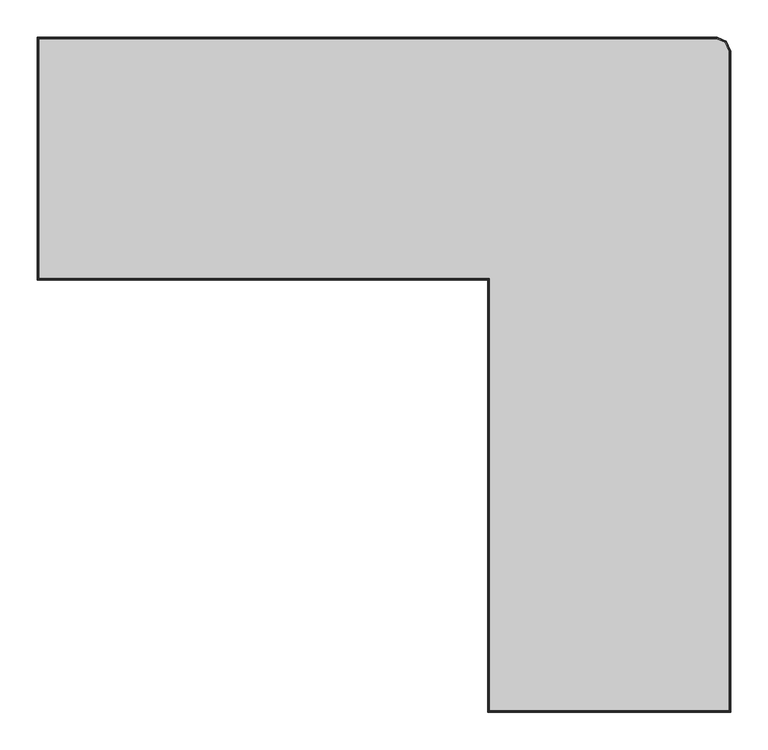
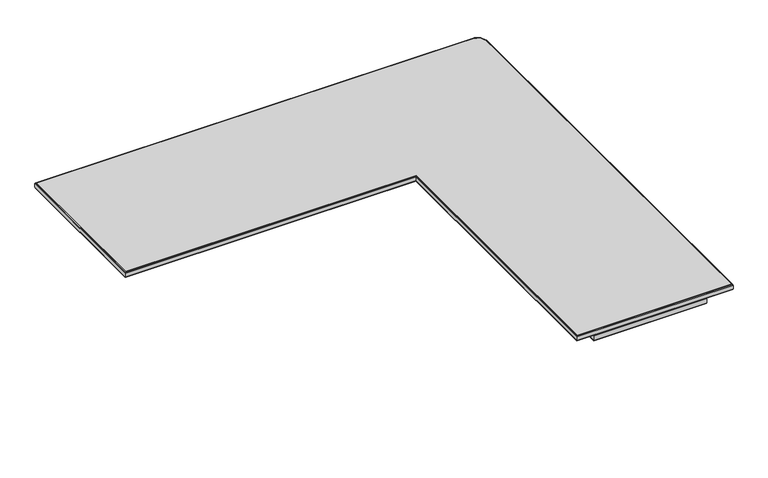
"""IFC4 building model written with IfcOpenShell, lengths in millimetres: furniture geometry."""

import ifcopenshell
import ifcopenshell.guid

model = None  # the IFC model being written
_history = None  # IfcOwnerHistory: only IFC2X3 demands one
_inside = {}  # id of a spatial element -> (the spatial element, [elements in it])
_under = {}  # id of a project, library or spatial element -> (it, [spatial elements below it])
_declared = {}  # id of a project -> (the project, [libraries it declares])
_typed = {}  # id of a type object -> (the type object, [elements of that type])
_made_of = {}  # id of a material, layer set ... -> (it, [elements and type objects made of it])


def new_model(schema):
    """Start an empty IFC model of exactly this schema.

    Asked for "IFC4X3", IfcOpenShell would pick the latest addendum, in which some entities
    have other attributes; the version numbers below select the first issue.
    IFC2X3 requires an IfcOwnerHistory on every rooted entity: one is made here for all.
    """
    global model, _history
    if schema == "IFC4X3":
        model = ifcopenshell.file(schema_version=(4, 3, 0, 0))
    else:
        model = ifcopenshell.file(schema=schema)
    _inside.clear()
    _under.clear()
    _declared.clear()
    _typed.clear()
    _made_of.clear()
    _history = None
    if model.schema == "IFC2X3":
        org = make("IfcOrganization", Name="unknown")
        user = make(
            "IfcPersonAndOrganization",
            ThePerson=make("IfcPerson", FamilyName="unknown"),
            TheOrganization=org,
        )
        app = make(
            "IfcApplication",
            ApplicationDeveloper=org,
            Version="unknown",
            ApplicationFullName="unknown",
            ApplicationIdentifier="unknown",
        )
        _history = make(
            "IfcOwnerHistory",
            OwningUser=user,
            OwningApplication=app,
            ChangeAction="ADDED",
            CreationDate=0,
        )
    return model


def make(cls, **values):
    """One entity of the class cls with the attributes given. An attribute that is None is left unset."""
    return model.create_entity(
        cls, **{name: value for name, value in values.items() if value is not None}
    )


def rooted(cls, **values):
    """An entity with a GlobalId (a new one), such as an element, a storey or a relation."""
    return make(cls, GlobalId=ifcopenshell.guid.new(), OwnerHistory=_history, **values)


def si_unit(unit_type, name, prefix=None):
    """IfcSIUnit, for example si_unit("LENGTHUNIT", "METRE", prefix="MILLI")."""
    return make("IfcSIUnit", UnitType=unit_type, Prefix=prefix, Name=name)


def assignment(units):
    """IfcUnitAssignment: the units of a project."""
    return None if units is None else make("IfcUnitAssignment", Units=units)


def point(xyz):
    """IfcCartesianPoint."""
    return None if xyz is None else make("IfcCartesianPoint", Coordinates=xyz)


def direction(xyz):
    """IfcDirection."""
    return None if xyz is None else make("IfcDirection", DirectionRatios=xyz)


def frame(location, z_axis=None, x_axis=None):
    """IfcAxis2Placement3D, a coordinate frame: its origin and axes. An axis left out is left unset."""
    return make(
        "IfcAxis2Placement3D",
        Location=point(location),
        Axis=direction(z_axis),
        RefDirection=direction(x_axis),
    )


def origin():
    """The frame at (0, 0, 0) with its axes left unset."""
    return frame((0.0, 0.0, 0.0))


def place(relative_to, where):
    """IfcLocalPlacement: puts the frame where relative to a parent placement (None: the world)."""
    return make(
        "IfcLocalPlacement", PlacementRelTo=relative_to, RelativePlacement=where
    )


def context(
    kind, dimensions, precision=None, world=None, true_north=None, identifier=None
):
    """IfcGeometricRepresentationContext, for example the 3D "Model" context."""
    return make(
        "IfcGeometricRepresentationContext",
        ContextIdentifier=identifier,
        ContextType=kind,
        CoordinateSpaceDimension=dimensions,
        Precision=precision,
        WorldCoordinateSystem=world,
        TrueNorth=true_north,
    )


def project(units=None, contexts=None):
    """IfcProject with its units and contexts."""
    return rooted(
        "IfcProject",
        Name="project",
        RepresentationContexts=contexts,
        UnitsInContext=assignment(units),
    )


def spatial(cls, under=None, at=None, **own):
    """A site, building, storey or space (cls), placed at a placement, below another one or the project."""
    s = rooted(cls, ObjectPlacement=at, **own)
    if under is not None:
        _under.setdefault(under.id(), (under, []))[1].append(s)
    return s


def polyline(points):
    """IfcPolyline through the points."""
    return make("IfcPolyline", Points=[point(p) for p in points])


def outline(outer, holes=None, kind="AREA"):
    """IfcArbitraryClosedProfileDef: a profile drawn as a closed curve; with holes, ...WithVoids."""
    if holes is None:
        return make("IfcArbitraryClosedProfileDef", ProfileType=kind, OuterCurve=outer)
    return make(
        "IfcArbitraryProfileDefWithVoids",
        ProfileType=kind,
        OuterCurve=outer,
        InnerCurves=holes,
    )


def extrude(swept, where, along, depth):
    """IfcExtrudedAreaSolid: the profile swept, set in the frame where, extruded along a direction by depth."""
    return make(
        "IfcExtrudedAreaSolid",
        SweptArea=swept,
        Position=where,
        ExtrudedDirection=direction(along),
        Depth=depth,
    )


def faces_of(points, faces, orient=None, outer=None):
    """IfcFace entities. A face is a list of loops; a loop is a list of indices into points, from 0.

    orient and outer hold one flag for each loop. By default every Orientation is true, the
    first loop of a face is its IfcFaceOuterBound and the others are IfcFaceBound.
    """
    made = []
    for i, loops in enumerate(faces):
        bounds = []
        for j, loop in enumerate(loops):
            is_outer = j == 0 if outer is None else outer[i][j]
            bounds.append(
                make(
                    "IfcFaceOuterBound" if is_outer else "IfcFaceBound",
                    Bound=make("IfcPolyLoop", Polygon=[points[k] for k in loop]),
                    Orientation=True if orient is None else orient[i][j],
                )
            )
        made.append(make("IfcFace", Bounds=bounds))
    return made


def faceted_brep(points, faces, orient=None, outer=None, voids=None):
    """IfcFacetedBrep: a solid bounded by flat faces; with voids (closed shells), ...WithVoids."""
    shared = [point(p) for p in points]
    hull = make("IfcClosedShell", CfsFaces=faces_of(shared, faces, orient, outer))
    if voids is None:
        return make("IfcFacetedBrep", Outer=hull)
    return make(
        "IfcFacetedBrepWithVoids",
        Outer=hull,
        Voids=[
            make(cls, CfsFaces=faces_of(shared, fs, o, b)) for cls, fs, o, b in voids
        ],
    )


def shape(context_of_items, identifier, shape_type, items):
    """IfcShapeRepresentation: the items that make up one representation, for example the "Body"."""
    return make(
        "IfcShapeRepresentation",
        ContextOfItems=context_of_items,
        RepresentationIdentifier=identifier,
        RepresentationType=shape_type,
        Items=items,
    )


def source(mapping_origin, context_of_items, identifier, shape_type, items):
    """IfcRepresentationMap: a shape defined once, which mapped items show again and again."""
    return make(
        "IfcRepresentationMap",
        MappingOrigin=mapping_origin,
        MappedRepresentation=shape(context_of_items, identifier, shape_type, items),
    )


def transform(
    local_origin,
    x_axis=None,
    y_axis=None,
    z_axis=None,
    scale=None,
    scale2=None,
    scale3=None,
    uniform=True,
):
    """IfcCartesianTransformationOperator3D, or its non-uniform kind. x_axis, y_axis, z_axis: its Axis1, 2, 3."""
    if uniform:
        return make(
            "IfcCartesianTransformationOperator3D",
            Axis1=direction(x_axis),
            Axis2=direction(y_axis),
            LocalOrigin=point(local_origin),
            Scale=scale,
            Axis3=direction(z_axis),
        )
    return make(
        "IfcCartesianTransformationOperator3DnonUniform",
        Axis1=direction(x_axis),
        Axis2=direction(y_axis),
        LocalOrigin=point(local_origin),
        Scale=scale,
        Axis3=direction(z_axis),
        Scale2=scale2,
        Scale3=scale3,
    )


def mapped(mapping_source, mapping_target):
    """IfcMappedItem: shows the shape of a source again, moved by a transform."""
    return make(
        "IfcMappedItem", MappingSource=mapping_source, MappingTarget=mapping_target
    )


def made_of(thing, what):
    """Note that an element or type object is made of a material, layer set ...; save() writes the relation."""
    if what is not None:
        _made_of.setdefault(what.id(), (what, []))[1].append(thing)
    return thing


def element(
    cls,
    number,
    at=None,
    inside=None,
    cuts=None,
    type_object=None,
    material=None,
    context=None,
    identifier="Body",
    shape_type=None,
    held_by="IfcProductDefinitionShape",
    body=None,
    shapes=None,
    **own,
):
    """One element of the class cls, such as IfcWall. Its Tag is "e" and its number.

    at: its placement. inside: the storey or other place that contains it. cuts: it is an
    opening in that element (IfcRelVoidsElement). A single representation is given by context,
    identifier, shape_type and body (its items); several are given by shapes. held_by: the class
    of the entity that holds the representations. save() writes the other relations.
    """
    e = rooted(cls, Tag="e%d" % number, ObjectPlacement=at, **own)
    if body is not None:
        shapes = [shape(context, identifier, shape_type, body)]
    if shapes is not None:
        e.Representation = make(held_by, Representations=shapes)
    if inside is not None:
        _inside.setdefault(inside.id(), (inside, []))[1].append(e)
    if cuts is not None:
        rooted(
            "IfcRelVoidsElement", RelatingBuildingElement=cuts, RelatedOpeningElement=e
        )
    if type_object is not None:
        _typed.setdefault(type_object.id(), (type_object, []))[1].append(e)
    return made_of(e, material)


def aggregate(whole, parts):
    """IfcRelAggregates: a whole, such as a stair, and the parts it consists of."""
    return rooted("IfcRelAggregates", RelatingObject=whole, RelatedObjects=parts)


def save(model, path):
    """Write the relations noted so far, then the file.

    IfcRelAggregates (storeys below a building ...), IfcRelContainedInSpatialStructure (elements
    in a storey), IfcRelDefinesByType, IfcRelAssociatesMaterial and IfcRelDeclares: one each for
    every whole, place, type object, material and project.
    """
    for whole, parts in _under.values():
        aggregate(whole, parts)
    for where, things in _inside.values():
        rooted(
            "IfcRelContainedInSpatialStructure",
            RelatedElements=things,
            RelatingStructure=where,
        )
    for kind, things in _typed.values():
        rooted("IfcRelDefinesByType", RelatedObjects=things, RelatingType=kind)
    for what, things in _made_of.values():
        rooted("IfcRelAssociatesMaterial", RelatedObjects=things, RelatingMaterial=what)
    for by, libraries in _declared.values():
        rooted("IfcRelDeclares", RelatingContext=by, RelatedDefinitions=libraries)
    model.write(path)


def furniture_5d4d9aef(model_context):
    return source(origin(), model_context, "Body", "SolidModel", [
        faceted_brep([(899.9524807, 56.0365193, 1064.7999767), (899.9524807, 56.0365193, 1056.7999563), (894.4893408, 69.2255661, 1056.7999563), (894.4893408, 69.2255661, 1064.7999767), (899.366688, 55.9199968, 1066.2142073), (894.0409956, 68.7772193, 1066.2142073), (897.9525301, 55.6387005, 1066.8), (892.9586489, 67.6948687, 1066.8), (897.9525301, 55.6387005, 1054.8000057), (892.9586489, 67.6948687, 1054.8000057), (899.366688, 55.9199968, 1055.3857985), (894.0409956, 68.7772193, 1055.3857985), (882.128135, 74.3457482, 1056.7999563), (882.128135, 74.3457482, 1064.7999767), (882.0116135, 73.7599554, 1066.2142073), (881.7303198, 72.3457976, 1066.8), (881.7303198, 72.3457976, 1054.8000057), (882.0116135, 73.7599554, 1055.3857985), (-25.3933506, 74.3457482, 1056.7999563), (-25.3933506, 74.3457482, 1064.7999767), (-24.8075579, 73.7599554, 1066.2142073), (-23.3934, 72.3457976, 1066.8), (-23.3934, 72.3457976, 1054.8000057), (-24.8075579, 73.7599554, 1055.3857985), (-25.3933506, -249.5041564, 1056.7999563), (-25.3933506, -249.5041564, 1064.7999767), (-24.8075579, -248.9183637, 1066.2142073), (-23.3934, -247.5042058, 1066.8), (-23.3934, -247.5042058, 1054.8000057), (-24.8075579, -248.9183637, 1055.3857985), (576.1025534, -249.5041564, 1056.7999563), (576.1025534, -249.5041564, 1064.7999767), (576.6883461, -248.9183637, 1066.2142073), (578.102504, -247.5042058, 1066.8), (578.102504, -247.5042058, 1054.8000057), (576.6883461, -248.9183637, 1055.3857985), (576.1025534, -827.1052499, 1056.7999563), (576.1025534, -827.1052499, 1064.7999767), (576.6883461, -826.5194572, 1066.2142073), (578.102504, -825.1052993, 1066.8), (578.102504, -825.1052993, 1054.8000057), (576.6883461, -826.5194572, 1055.3857985), (899.9524807, -827.1052499, 1056.7999563), (899.9524807, -827.1052499, 1064.7999767), (899.366688, -826.5194572, 1066.2142073), (897.9525301, -825.1052993, 1066.8), (897.9525301, -825.1052993, 1054.8000057), (899.366688, -826.5194572, 1055.3857985)], [[[0, 1, 2, 3]], [[4, 0, 3, 5]], [[6, 4, 5, 7]], [[8, 6, 7, 9]], [[10, 8, 9, 11]], [[1, 10, 11, 2]], [[3, 2, 12, 13]], [[5, 3, 13, 14]], [[7, 5, 14, 15]], [[9, 7, 15, 16]], [[11, 9, 16, 17]], [[2, 11, 17, 12]], [[13, 12, 18, 19]], [[14, 13, 19, 20]], [[15, 14, 20, 21]], [[16, 15, 21, 22]], [[17, 16, 22, 23]], [[12, 17, 23, 18]], [[19, 18, 24, 25]], [[20, 19, 25, 26]], [[21, 20, 26, 27]], [[22, 21, 27, 28]], [[23, 22, 28, 29]], [[18, 23, 29, 24]], [[25, 24, 30, 31]], [[26, 25, 31, 32]], [[27, 26, 32, 33]], [[28, 27, 33, 34]], [[29, 28, 34, 35]], [[24, 29, 35, 30]], [[31, 30, 36, 37]], [[32, 31, 37, 38]], [[33, 32, 38, 39]], [[34, 33, 39, 40]], [[35, 34, 40, 41]], [[30, 35, 41, 36]], [[37, 36, 42, 43]], [[38, 37, 43, 44]], [[39, 38, 44, 45]], [[40, 39, 45, 46]], [[41, 40, 46, 47]], [[36, 41, 47, 42]], [[43, 42, 1, 0]], [[44, 43, 0, 4]], [[45, 44, 4, 6]], [[46, 45, 6, 8]], [[47, 46, 8, 10]], [[42, 47, 10, 1]]]),
        faceted_brep([(611.1024519, -216.161297, 1044.799962), (611.1024519, -216.161297, 1054.8000057), (613.1024752, -216.161297, 1054.8000057), (613.1024752, -216.161297, 1042.8000114), (611.6882446, -216.161297, 1043.3858042), (611.1024519, -826.8513226, 1044.799962), (611.1024519, -826.8513226, 1054.8000057), (845.9025095, -826.8513226, 1054.8000057), (845.9025095, 20.2958235, 1054.8000057), (0.0065767, 20.2958235, 1054.8000057), (0.0065767, -214.5042216, 1054.8000057), (609.9303329, -214.5042216, 1054.8000057), (609.9303329, -212.5041983, 1054.8000057), (2.0066, -212.5041983, 1054.8000057), (2.0066, 18.2958003, 1054.8000057), (843.9024862, 18.2958003, 1054.8000057), (843.9024862, -824.8512993, 1054.8000057), (613.1024752, -824.8512993, 1054.8000057), (613.1024752, -824.8512993, 1042.8000114), (611.6882446, -826.2655298, 1043.3858042), (845.9025095, -826.8513226, 1044.799962), (843.9024862, -824.8512993, 1042.8000114), (845.3167168, -826.2655298, 1043.3858042), (845.9025095, 20.2958235, 1044.799962), (843.9024862, 18.2958003, 1042.8000114), (845.3167168, 19.7100308, 1043.3858042), (0.0065767, 20.2958235, 1044.799962), (2.0066, 18.2958003, 1042.8000114), (0.5923695, 19.7100308, 1043.3858042), (0.0065767, -214.5042216, 1044.799962), (2.0066, -212.5041983, 1042.8000114), (0.5923695, -213.9184289, 1043.3858042), (609.9303329, -214.5042216, 1044.799962), (609.9303329, -213.9184289, 1043.3858042), (609.9303329, -212.5041983, 1042.8000114)], [[[0, 1, 2, 3, 4]], [[1, 0, 5, 6]], [[2, 1, 6, 7, 8, 9, 10, 11, 12, 13, 14, 15, 16, 17]], [[3, 2, 17, 18]], [[4, 3, 18, 19]], [[0, 4, 19, 5]], [[6, 5, 20, 7]], [[18, 17, 16, 21]], [[19, 18, 21, 22]], [[5, 19, 22, 20]], [[7, 20, 23, 8]], [[21, 16, 15, 24]], [[22, 21, 24, 25]], [[20, 22, 25, 23]], [[8, 23, 26, 9]], [[24, 15, 14, 27]], [[25, 24, 27, 28]], [[23, 25, 28, 26]], [[9, 26, 29, 10]], [[27, 14, 13, 30]], [[28, 27, 30, 31]], [[26, 28, 31, 29]], [[32, 33, 34, 12, 11]], [[10, 29, 32, 11]], [[30, 13, 12, 34]], [[31, 30, 34, 33]], [[29, 31, 33, 32]]]),
        extrude(outline(polyline([(843.9024862, 18.2958003), (843.9024862, -824.8512993), (613.1024752, -824.8512993), (613.1024752, -216.161297), (611.9309624, -213.3328723), (609.9303329, -212.5041983), (2.0066, -212.5041983), (2.0066, 18.2958003), (843.9024862, 18.2958003)])), frame((0.0, 0.0, 1042.8000114), z_axis=(0.0, 0.0, 1.0), x_axis=(1.0, 0.0, 0.0)), (0.0, 0.0, 1.0), 11.9999943),
        extrude(outline(polyline([(881.7303198, 72.3457976), (892.9586489, 67.6948687), (897.9525301, 55.6387005), (897.9525301, -825.1052993), (578.102504, -825.1052993), (578.102504, -247.5042058), (-23.3934, -247.5042058), (-23.3934, 72.3457976), (881.7303198, 72.3457976)])), frame((0.0, 0.0, 1054.8000057), z_axis=(0.0, 0.0, 1.0), x_axis=(1.0, 0.0, 0.0)), (0.0, 0.0, 1.0), 12.0030057),
    ])


if __name__ == "__main__":
    model = new_model("IFC4")
    model_context = context("Model", 3, world=origin())
    ifc_project = project(units=[si_unit("LENGTHUNIT", "METRE", prefix="MILLI")], contexts=[model_context])
    site = spatial("IfcSite", under=ifc_project)
    building = spatial("IfcBuilding", under=site)
    placement = place(None, origin())
    furniture_shape = furniture_5d4d9aef(model_context)
    element("IfcFurniture", 1, at=placement, inside=building, context=model_context, shape_type="MappedRepresentation", body=[
        mapped(furniture_shape, transform((0.0, 0.0, 0.0), x_axis=(1.0, 0.0, 0.0), y_axis=(0.0, 1.0, 0.0), z_axis=(0.0, 0.0, 1.0))),
    ])
    save(model, "model.ifc")
